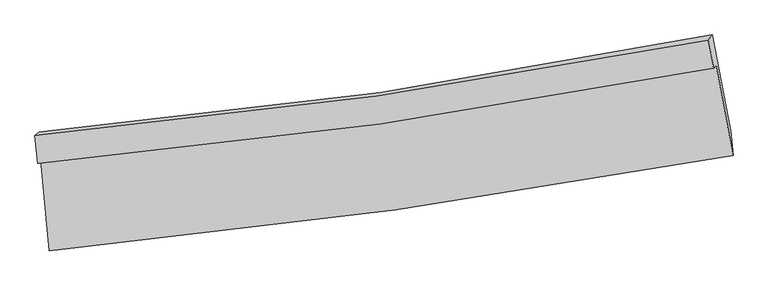
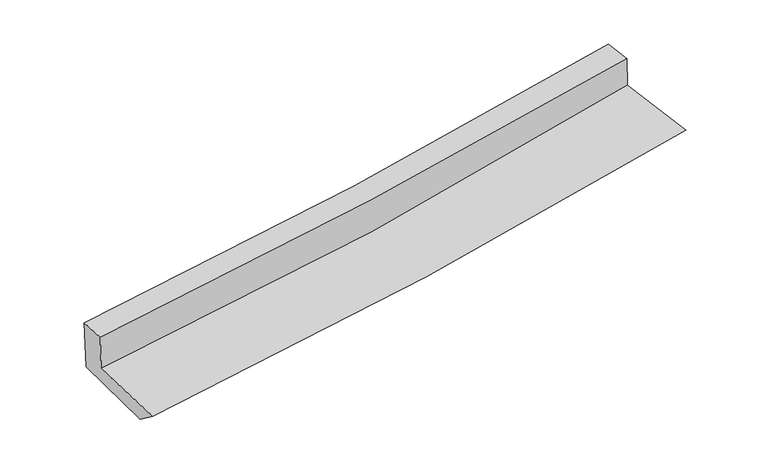
"""IFC4 building model written with IfcOpenShell, lengths in millimetres: proxy geometry."""

from ifc_helpers import new_model, si_unit, frame, origin, place, context, project, spatial, source, transform, mapped, element, save
from ifc_brep_helpers import plane_surface, spline_curve, spline_surface, advanced_brep


def generic_models_e4132b55(model_context):
    return source(origin(), model_context, "Body", "AdvancedBrep", [
        advanced_brep(
        [(-2308.9194348, -1833.3168445, 1731.5432749), (-2250.4250977, -2447.2577958, 1680.1472478), (2361.9173646, -1804.8690186, 2086.2044121), (2248.6117747, -1193.6632674, 2133.4141044), (-2329.2601835, -1858.9518959, 2014.6116375), (2231.4686091, -1215.2684668, 2371.9838793), (-2347.3106788, -1669.4987144, 2030.4716983), (2195.5110032, -1023.5615921, 2391.5499573), (-2317.9939449, -1644.4820403, 1635.7219858), (2222.7905641, -989.18169, 2011.9188642), (-2255.2711806, -2282.8683248, 1558.5021912), (2345.3469539, -1638.6717971, 1937.2875274)],
        [
            (0, 1),
            (1, 2, spline_curve(3, [(-2250.4250977, -2447.2577958, 1680.1472478), (-1470.099742346, -2371.568928758, 1736.854148905), (-692.130736669, -2279.563635365, 1799.402991954), (845.233280648, -2064.85605926, 1934.962321855), (1604.711762542, -1942.731760117, 2007.765866919), (2361.9173646, -1804.8690186, 2086.2044121)], [4, 2, 4], [0.0, 7.694777365820954, 15.25203818422295])),
            (2, 3),
            (3, 0, spline_curve(3, [(2248.6117747, -1193.6632674, 2133.4141044), (1502.697722398, -1339.328664826, 2055.080329304), (753.401529522, -1465.165625829, 1982.672240256), (-765.651333568, -1679.111671227, 1848.497680015), (-1535.532210373, -1766.492569255, 1786.948826023), (-2308.9194348, -1833.3168445, 1731.5432749)], [4, 2, 4], [0.0, 7.557260818401996, 15.25203818422295])),
            (4, 0),
            (3, 5),
            (5, 4, spline_curve(3, [(2231.4686091, -1215.2684668, 2371.9838793), (1483.404382132, -1358.909920379, 2316.157779737), (732.761726982, -1484.055577895, 2258.746644817), (-787.386512844, -1699.295966715, 2139.680773727), (-1556.986788421, -1788.711452305, 2077.967827984), (-2329.2601835, -1858.9518959, 2014.6116375)], [4, 2, 4], [0.0, 7.512859866989302, 15.162428334485696])),
            (6, 4),
            (5, 7),
            (7, 6, spline_curve(3, [(2195.5110032, -1023.5615921, 2391.5499573), (1451.115805609, -1168.903916735, 2333.446324847), (703.789676827, -1295.092113969, 2274.582865452), (-810.376580702, -1511.107910933, 2154.251349895), (-1577.324345771, -1600.232087857, 2092.755389662), (-2347.3106788, -1669.4987144, 2030.4716983)], [4, 2, 4], [0.0, 7.498986661572165, 15.134429478306947])),
            (8, 6),
            (7, 9),
            (9, 8, spline_curve(3, [(2222.7905641, -989.18169, 2011.9188642), (1479.209996869, -1139.577216327, 1952.887013611), (732.461572817, -1269.081057061, 1892.317991914), (-781.016926273, -1488.281740448, 1766.975483955), (-1547.863338224, -1577.211349858, 1702.145546161), (-2317.9939449, -1644.4820403, 1635.7219858)], [4, 2, 4], [0.0, 7.485904557054177, 15.10802721928308])),
            (10, 8),
            (9, 11),
            (11, 10, spline_curve(3, [(2345.3469539, -1638.6717971, 1937.2875274), (1589.257586317, -1778.337003422, 1878.802301679), (831.301742445, -1901.518602319, 1818.297224074), (-702.16909045, -2116.856127902, 1692.109623005), (-1477.752624672, -2208.406704795, 1626.352921856), (-2255.2711806, -2282.8683248, 1558.5021912)], [4, 2, 4], [0.0, 7.532794023977429, 15.202659382594142])),
            (1, 10),
            (11, 2),
        ],
        [
            spline_surface(3, 3, [[(-2308.9194348, -1833.3168445, 1731.5432749), (-1535.532210383, -1766.492569161, 1786.948825948), (-765.651333505, -1679.111671189, 1848.49768008), (753.40152946, -1465.165625866, 1982.672240191), (1502.697722379, -1339.328664828, 2055.080329189), (2248.6117747, -1193.6632674, 2133.4141044)], [(-2289.421322428, -2037.963828258, 1714.411265883), (-1513.721387698, -1968.184689007, 1770.250600297), (-741.144467928, -1879.262325981, 1832.132784039), (784.012113191, -1665.062436986, 1966.768934032), (1536.702402412, -1540.463029882, 2039.308841721), (2286.380304657, -1397.398517797, 2117.677540282)], [(-2269.923210072, -2242.610812042, 1697.279256817), (-1491.91056503, -2169.876808879, 1753.552374597), (-716.637602301, -2079.41298069, 1815.767888068), (814.622696971, -1864.959248024, 1950.865627943), (1570.707082474, -1741.597394946, 2023.537354305), (2324.148834643, -1601.133768203, 2101.940976218)], [(-2250.4250977, -2447.2577958, 1680.1472478), (-1470.099742345, -2371.568928726, 1736.854148947), (-692.130736723, -2279.563635482, 1799.402992026), (845.233280702, -2064.856059145, 1934.962321784), (1604.711762507, -1942.731760001, 2007.765866837), (2361.9173646, -1804.8690186, 2086.2044121)]], [4, 4], [4, 2, 4], [0.0, 1.9936253154113723], [0.0, 7.694777365820954, 15.25203818422295]),
            spline_surface(3, 3, [[(-2329.2601835, -1858.9518959, 2014.6116375), (-1556.98678843, -1788.711452361, 2077.967828025), (-787.386512814, -1699.295966782, 2139.68077365), (732.761726952, -1484.055577829, 2258.746644893), (1483.404382228, -1358.909920336, 2316.157779815), (2231.4686091, -1215.2684668, 2371.9838793)], [(-2322.479933963, -1850.406878776, 1920.255516643), (-1549.835262444, -1781.30515797, 1980.961494009), (-780.141453022, -1692.56786824, 2042.619742466), (739.641661144, -1477.758927163, 2166.721843331), (1489.835495613, -1352.382835145, 2229.131962941), (2237.182997635, -1208.066733645, 2292.460621001)], [(-2315.699684337, -1841.861861624, 1825.899395757), (-1542.683736369, -1773.898863552, 1883.955159964), (-772.896393298, -1685.839769731, 1945.558711264), (746.521595268, -1471.462276532, 2074.697041753), (1496.266608994, -1345.855750019, 2142.106146063), (2242.897386165, -1200.865000555, 2212.937362699)], [(-2308.9194348, -1833.3168445, 1731.5432749), (-1535.532210383, -1766.492569161, 1786.948825948), (-765.651333505, -1679.111671189, 1848.49768008), (753.40152946, -1465.165625866, 1982.672240191), (1502.697722379, -1339.328664828, 2055.080329189), (2248.6117747, -1193.6632674, 2133.4141044)]], [4, 4], [4, 2, 4], [0.0, 0.9357757705823176], [0.0, 7.649568467496394, 15.162428334485696]),
            spline_surface(3, 3, [[(-2347.3106788, -1669.4987144, 2030.4716983), (-1577.324345829, -1600.23208778, 2092.755389781), (-810.376580677, -1511.10791086, 2154.251349919), (703.789676803, -1295.092114041, 2274.582865429), (1451.115805642, -1168.903916842, 2333.44632496), (2195.5110032, -1023.5615921, 2391.5499573)], [(-2341.293847026, -1732.649774909, 2025.185011352), (-1570.545160022, -1663.05854265, 2087.826202514), (-802.713224731, -1573.837262839, 2149.394491187), (713.447026845, -1358.079935309, 2269.304125275), (1461.878664494, -1232.239251359, 2327.683476591), (2207.496871823, -1087.463883686, 2385.027931313)], [(-2335.277015274, -1795.800835391, 2019.898324448), (-1563.765974237, -1725.884997492, 2082.897015292), (-795.04986876, -1636.566614803, 2144.537632381), (723.104376911, -1421.067756561, 2264.025385047), (1472.641523376, -1295.574585819, 2321.920628184), (2219.482740477, -1151.366175214, 2378.505905287)], [(-2329.2601835, -1858.9518959, 2014.6116375), (-1556.98678843, -1788.711452361, 2077.967828025), (-787.386512814, -1699.295966782, 2139.68077365), (732.761726952, -1484.055577829, 2258.746644893), (1483.404382228, -1358.909920336, 2316.157779815), (2231.4686091, -1215.2684668, 2371.9838793)]], [4, 4], [4, 2, 4], [0.0, 0.6264709023293347], [0.0, 7.635442816734781, 15.134429478306947]),
            spline_surface(3, 3, [[(-2317.9939449, -1644.4820403, 1635.7219858), (-1547.863338248, -1577.211349898, 1702.145546239), (-781.016926158, -1488.2817405, 1766.975483996), (732.461572703, -1269.08105701, 1892.317991874), (1479.209996954, -1139.577216279, 1952.887013568), (2222.7905641, -989.18169, 2011.9188642)], [(-2327.766189532, -1652.820931649, 1767.305223295), (-1557.683674108, -1584.884929174, 1832.348827415), (-790.80347766, -1495.890463947, 1896.067439275), (722.904274074, -1277.751409347, 2019.739616364), (1469.845266526, -1149.35278311, 2079.740117351), (2213.697377143, -1000.641657344, 2138.462561886)], [(-2337.538434168, -1661.159823051, 1898.888460805), (-1567.50400997, -1592.558508504, 1962.552108605), (-800.590029174, -1503.499187413, 2025.15939464), (713.346975433, -1286.421761704, 2147.161240939), (1460.48053607, -1159.128350011, 2206.593221177), (2204.604190157, -1012.101624756, 2265.006259614)], [(-2347.3106788, -1669.4987144, 2030.4716983), (-1577.324345829, -1600.23208778, 2092.755389781), (-810.376580677, -1511.10791086, 2154.251349919), (703.789676803, -1295.092114041, 2274.582865429), (1451.115805642, -1168.903916842, 2333.44632496), (2195.5110032, -1023.5615921, 2391.5499573)]], [4, 4], [4, 2, 4], [0.0, 1.268630477105238], [0.0, 7.622122662228904, 15.10802721928308]),
            spline_surface(3, 3, [[(-2255.2711806, -2282.8683248, 1558.5021912), (-1477.752624769, -2208.40670477, 1626.352921969), (-702.169090537, -2116.856127877, 1692.109623038), (831.30174253, -1901.518602344, 1818.297224042), (1589.257586428, -1778.337003346, 1878.8023017), (2345.3469539, -1638.6717971, 1937.2875274)], [(-2276.178768677, -2070.072896645, 1584.242122745), (-1501.122862572, -1998.008253158, 1651.61713007), (-728.451702416, -1907.331332098, 1717.064910024), (798.355019248, -1690.706087247, 1842.97081332), (1552.575056604, -1565.417074353, 1903.497205672), (2304.494823968, -1422.175094763, 1962.164639683)], [(-2297.086356823, -1857.277468455, 1609.982054255), (-1524.493100445, -1787.60980151, 1676.881338137), (-754.734314278, -1697.806536278, 1742.020197009), (765.408295985, -1479.893572108, 1867.644402596), (1515.892526778, -1352.497145271, 1928.192109595), (2263.642694032, -1205.678392337, 1987.041751917)], [(-2317.9939449, -1644.4820403, 1635.7219858), (-1547.863338248, -1577.211349898, 1702.145546239), (-781.016926158, -1488.2817405, 1766.975483996), (732.461572703, -1269.08105701, 1892.317991874), (1479.209996954, -1139.577216279, 1952.887013568), (2222.7905641, -989.18169, 2011.9188642)]], [4, 4], [4, 2, 4], [0.0, 2.10306573986564], [0.0, 7.669865358616713, 15.202659382594142]),
            spline_surface(3, 3, [[(-2250.4250977, -2447.2577958, 1680.1472478), (-1470.099742345, -2371.568928726, 1736.854148947), (-692.130736723, -2279.563635482, 1799.402992026), (845.233280702, -2064.856059145, 1934.962321784), (1604.711762507, -1942.731760001, 2007.765866837), (2361.9173646, -1804.8690186, 2086.2044121)], [(-2252.040458674, -2392.461305463, 1639.598895582), (-1472.65070316, -2317.181520737, 1700.020406603), (-695.476854657, -2225.327799585, 1763.638535717), (840.589434649, -2010.410240183, 1896.07395589), (1599.560370489, -1887.933507782, 1964.778011792), (2356.393894375, -1749.469944766, 2036.565450534)], [(-2253.655819626, -2337.664815137, 1599.050543418), (-1475.201663954, -2262.794112759, 1663.186664313), (-698.822972603, -2171.091963773, 1727.874079347), (835.945588583, -1955.964421306, 1857.185589935), (1594.408978446, -1833.135255565, 1921.790156744), (2350.870424125, -1694.070870934, 1986.926488966)], [(-2255.2711806, -2282.8683248, 1558.5021912), (-1477.752624769, -2208.40670477, 1626.352921969), (-702.169090537, -2116.856127877, 1692.109623038), (831.30174253, -1901.518602344, 1818.297224042), (1589.257586428, -1778.337003346, 1878.8023017), (2345.3469539, -1638.6717971, 1937.2875274)]], [4, 4], [4, 2, 4], [0.0, 0.6498895146776356], [0.0, 7.728099211314857, 15.318086366734281]),
            plane_surface(frame((2267.6077116, -1310.8693053, 2155.3931241), z_axis=(0.9807501824904642, 0.17514328049020725, 0.08633603444709512), x_axis=(-0.07138264928018964, -0.08996216986573284, 0.9933837754739054))),
            plane_surface(frame((-2301.5300867, -1956.0626026, 1775.1663393), z_axis=(-0.9929605011102701, -0.08796596458172391, -0.07931854959622324), x_axis=(-0.09451963084171894, 0.9920528196965671, 0.0830496376731158))),
        ],
        [
            (0, [[1, 2, 3, 4]]),
            (1, [[5, -4, 6, 7]]),
            (2, [[8, -7, 9, 10]]),
            (3, [[11, -10, 12, 13]]),
            (4, [[14, -13, 15, 16]]),
            (5, [[17, -16, 18, -2]]),
            (6, [[-12, -9, -6, -3, -18, -15]]),
            (7, [[-1, -5, -8, -11, -14, -17]]),
        ],
    ),
    ])


if __name__ == "__main__":
    model = new_model("IFC4")
    model_context = context("Model", 3, world=origin())
    ifc_project = project(units=[si_unit("LENGTHUNIT", "METRE", prefix="MILLI")], contexts=[model_context])
    site = spatial("IfcSite", under=ifc_project)
    building = spatial("IfcBuilding", under=site)
    placement = place(None, origin())
    generic_models_shape = generic_models_e4132b55(model_context)
    element("IfcBuildingElementProxy", 1, Name="Generic Models", at=placement, inside=building, context=model_context, shape_type="MappedRepresentation", body=[
        mapped(generic_models_shape, transform((0.0, 0.0, 0.0), x_axis=(1.0, 0.0, 0.0), y_axis=(0.0, 1.0, 0.0), z_axis=(0.0, 0.0, 1.0))),
    ])
    save(model, "model.ifc")
